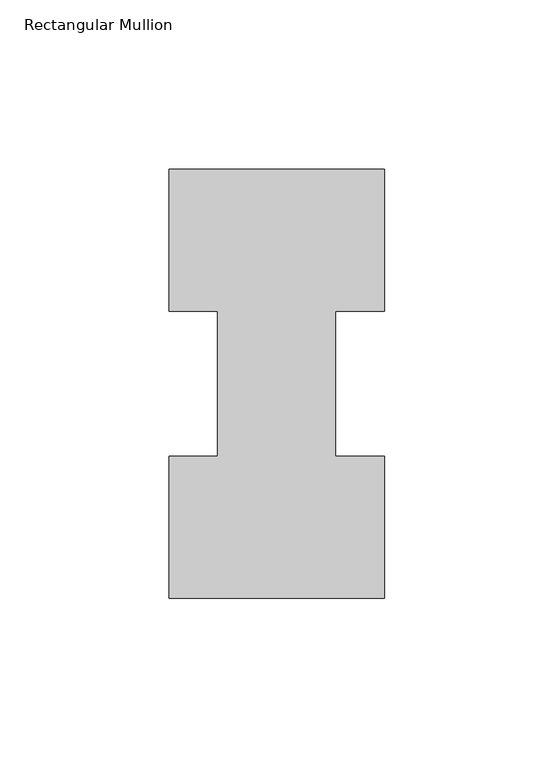
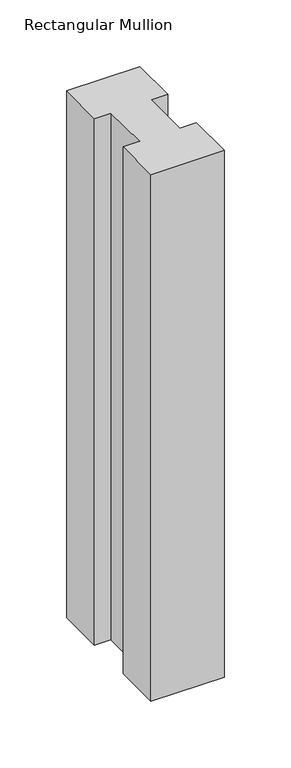
"""IFC4 building model written with IfcOpenShell, lengths in millimetres: member geometry, Rectangular Mullion."""

from ifc_helpers import new_model, si_unit, frame, origin, place, context, project, spatial, polyline, outline, extrude, source, transform, mapped, element, save


def rectangular_mullion_56cfdca2(model_context):
    return source(origin(), model_context, "Body", "SweptSolid", [
        extrude(outline(polyline([(-63.5, -0.0373062), (-63.5, 41.7837937), (-49.2125, 41.7837937), (-49.2125, 84.6335938), (-63.5, 84.6335938), (-63.5, 126.4546937), (0.0, 126.4546938), (0.0, 84.6335938), (-14.4999808, 84.6335938), (-14.4999808, 41.7837937), (0.0, 41.7837937), (0.0, -0.0373062), (-63.5, -0.0373062)])), frame((0.0, 0.0, -482.6), z_axis=(0.0, 0.0, 1.0), x_axis=(1.0, 0.0, 0.0)), (0.0, 0.0, 1.0), 482.6),
    ])


if __name__ == "__main__":
    model = new_model("IFC4")
    model_context = context("Model", 3, world=origin())
    ifc_project = project(units=[si_unit("LENGTHUNIT", "METRE", prefix="MILLI")], contexts=[model_context])
    site = spatial("IfcSite", under=ifc_project)
    building = spatial("IfcBuilding", under=site)
    placement = place(None, origin())
    rectangular_mullion_shape = rectangular_mullion_56cfdca2(model_context)
    element("IfcMember", 1, ObjectType="Rectangular Mullion", at=placement, inside=building, context=model_context, shape_type="MappedRepresentation", body=[
        mapped(rectangular_mullion_shape, transform((0.0, 0.0, 0.0), x_axis=(1.0, 0.0, 0.0), y_axis=(0.0, 1.0, 0.0), z_axis=(0.0, 0.0, 1.0))),
    ])
    save(model, "model.ifc")
